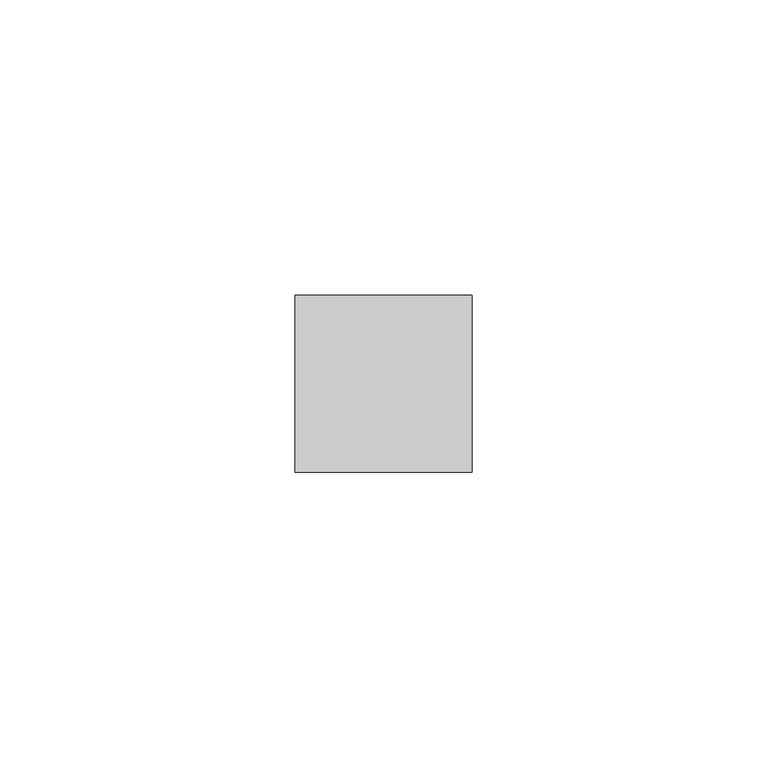
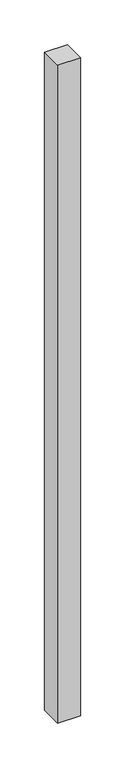
"""IFC4 building model written with IfcOpenShell, lengths in millimetres: member geometry."""

from ifc_helpers import new_model, si_unit, frame, origin, place, context, project, spatial, polyline, outline, extrude, source, transform, mapped, element, save


def member_6e814003(model_context):
    return source(origin(), model_context, "Body", "SweptSolid", [
        extrude(outline(polyline([(15.0, 15.0), (15.0, -15.0), (-15.0, -15.0), (-15.0, 15.0), (15.0, 15.0)])), frame((0.0, 0.0, -902.5), z_axis=(0.0, 0.0, 1.0), x_axis=(1.0, 0.0, 0.0)), (0.0, 0.0, 1.0), 902.5),
    ])


if __name__ == "__main__":
    model = new_model("IFC4")
    model_context = context("Model", 3, world=origin())
    ifc_project = project(units=[si_unit("LENGTHUNIT", "METRE", prefix="MILLI")], contexts=[model_context])
    site = spatial("IfcSite", under=ifc_project)
    building = spatial("IfcBuilding", under=site)
    placement = place(None, origin())
    member_shape = member_6e814003(model_context)
    element("IfcMember", 1, at=placement, inside=building, context=model_context, shape_type="MappedRepresentation", body=[
        mapped(member_shape, transform((0.0, 0.0, 0.0), x_axis=(1.0, 0.0, 0.0), y_axis=(0.0, 1.0, 0.0), z_axis=(0.0, 0.0, 1.0))),
    ])
    save(model, "model.ifc")
